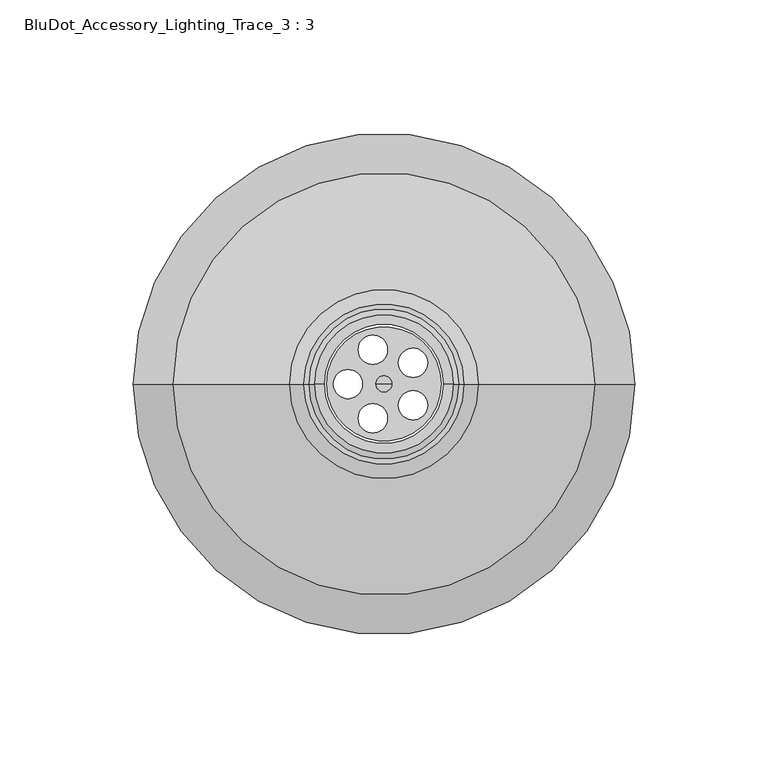
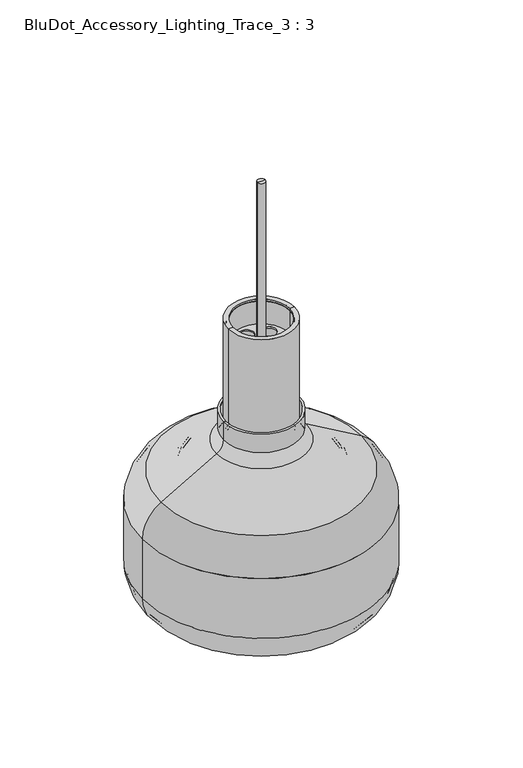
"""IFC4 building model written with IfcOpenShell, lengths in millimetres: furniture geometry, BluDot_Accessory_Lighting_Trace_3 : 3."""

from ifc_helpers import new_model, si_unit, point, frame, frame_2d, origin, origin_2d, place, context, project, spatial, polyline, circle_curve, ellipse_curve, trimmed, segment, composite_curve, outline, extrude, source, transform, mapped, element, save
from ifc_brep_helpers import plane_surface, cylinder_surface, revolved_surface, advanced_brep


def bludot_accessory_lighting_trace_3_3_50a2d297(model_context):
    return source(origin(), model_context, "Body", "SolidModel", [
        advanced_brep(
        [(-58.0500051, 0.0, 1762.1063687), (58.0500051, 0.0, 1762.1063687), (56.2720051, 0.0, 1762.1063687), (-56.2720051, 0.0, 1762.1063687), (-24.2219961, 0.0, 1923.4064632), (24.2219961, 0.0, 1923.4064632), (24.2219961, 0.0, 1832.4429595), (-24.2219961, 0.0, 1832.4429595), (-58.0500051, 0.0, 1802.9711917), (58.0500051, 0.0, 1802.9711917), (-22.4439961, 0.0, 1923.4064632), (22.4439961, 0.0, 1923.4064632), (29.7629452, 0.0, 1822.8429683), (-29.7629452, 0.0, 1822.8429683), (54.9927261, 0.0, 1808.2680914), (-54.9927261, 0.0, 1808.2680914), (-22.4439961, 0.0, 1832.4429595), (22.4439961, 0.0, 1832.4429595), (56.2720051, 0.0, 1802.9711917), (-56.2720051, 0.0, 1802.9711917), (-28.8735582, 0.0, 1821.3033986), (28.8735582, 0.0, 1821.3033986), (-54.1033391, 0.0, 1806.7285217), (54.1033391, 0.0, 1806.7285217)],
        [
            (0, 1, circle_curve(frame((0.0, 0.0, 1762.1063687), z_axis=(0.0, 0.0, -1.0), x_axis=(1.0, 0.0, 0.0)), 58.0500051)),
            (1, 2),
            (2, 3, circle_curve(frame((0.0, 0.0, 1762.1063687), z_axis=(0.0, 0.0, 1.0), x_axis=(1.0, 0.0, 0.0)), 56.2720051)),
            (3, 0),
            (1, 0, circle_curve(frame((0.0, 0.0, 1762.1063687), z_axis=(0.0, 0.0, -1.0), x_axis=(1.0, 0.0, 0.0)), 58.0500051)),
            (3, 2, circle_curve(frame((0.0, 0.0, 1762.1063687), z_axis=(0.0, 0.0, 1.0), x_axis=(1.0, 0.0, 0.0)), 56.2720051)),
            (4, 5, circle_curve(frame((0.0, 0.0, 1923.4064632), z_axis=(0.0, 0.0, -1.0), x_axis=(1.0, 0.0, 0.0)), 24.2219961)),
            (5, 6),
            (6, 7, circle_curve(frame((0.0, 0.0, 1832.4429595), z_axis=(0.0, 0.0, 1.0), x_axis=(1.0, 0.0, 0.0)), 24.2219961)),
            (7, 4),
            (5, 4, circle_curve(frame((0.0, 0.0, 1923.4064632), z_axis=(0.0, 0.0, -1.0), x_axis=(1.0, 0.0, 0.0)), 24.2219961)),
            (7, 6, circle_curve(frame((0.0, 0.0, 1832.4429595), z_axis=(0.0, 0.0, 1.0), x_axis=(1.0, 0.0, 0.0)), 24.2219961)),
            (8, 9, circle_curve(frame((0.0, 0.0, 1802.9711917), z_axis=(0.0, 0.0, -1.0), x_axis=(1.0, 0.0, 0.0)), 58.0500051)),
            (9, 1),
            (0, 8),
            (9, 8, circle_curve(frame((0.0, 0.0, 1802.9711917), z_axis=(0.0, 0.0, -1.0), x_axis=(1.0, 0.0, 0.0)), 58.0500051)),
            (10, 11, circle_curve(frame((0.0, 0.0, 1923.4064632), z_axis=(0.0, 0.0, -1.0), x_axis=(1.0, 0.0, 0.0)), 22.4439961)),
            (11, 5),
            (4, 10),
            (11, 10, circle_curve(frame((0.0, 0.0, 1923.4064632), z_axis=(0.0, 0.0, -1.0), x_axis=(1.0, 0.0, 0.0)), 22.4439961)),
            (6, 12, circle_curve(frame((35.3087203, 0.0, 1832.4429595), z_axis=(0.0, -1.0, 0.0), x_axis=(1.0, 0.0, 0.0)), 11.0867242)),
            (12, 13, circle_curve(frame((0.0, 0.0, 1822.8429683), z_axis=(0.0, 0.0, 1.0), x_axis=(1.0, 0.0, 0.0)), 29.7629452)),
            (13, 7, circle_curve(frame((-35.3087203, 0.0, 1832.4429595), z_axis=(0.0, -1.0, 0.0), x_axis=(-1.0, 0.0, 0.0)), 11.0867242)),
            (13, 12, circle_curve(frame((0.0, 0.0, 1822.8429683), z_axis=(0.0, 0.0, 1.0), x_axis=(1.0, 0.0, 0.0)), 29.7629452)),
            (12, 14),
            (14, 15, circle_curve(frame((0.0, 0.0, 1808.2680914), z_axis=(0.0, 0.0, 1.0), x_axis=(1.0, 0.0, 0.0)), 54.9927261)),
            (15, 13),
            (15, 14, circle_curve(frame((0.0, 0.0, 1808.2680914), z_axis=(0.0, 0.0, 1.0), x_axis=(1.0, 0.0, 0.0)), 54.9927261)),
            (14, 9, circle_curve(frame((51.9327843, 0.0, 1802.9711917), z_axis=(0.0, 1.0, 0.0), x_axis=(1.0, 0.0, 0.0)), 6.1172208)),
            (8, 15, circle_curve(frame((-51.9327843, 0.0, 1802.9711917), z_axis=(0.0, 1.0, 0.0), x_axis=(-1.0, 0.0, 0.0)), 6.1172208)),
            (16, 17, circle_curve(frame((0.0, 0.0, 1832.4429595), z_axis=(0.0, 0.0, -1.0), x_axis=(1.0, 0.0, 0.0)), 22.4439961)),
            (17, 11),
            (10, 16),
            (17, 16, circle_curve(frame((0.0, 0.0, 1832.4429595), z_axis=(0.0, 0.0, -1.0), x_axis=(1.0, 0.0, 0.0)), 22.4439961)),
            (2, 18),
            (18, 19, circle_curve(frame((0.0, 0.0, 1802.9711917), z_axis=(0.0, 0.0, 1.0), x_axis=(1.0, 0.0, 0.0)), 56.2720051)),
            (19, 3),
            (19, 18, circle_curve(frame((0.0, 0.0, 1802.9711917), z_axis=(0.0, 0.0, 1.0), x_axis=(1.0, 0.0, 0.0)), 56.2720051)),
            (20, 21, circle_curve(frame((0.0, 0.0, 1821.3033986), z_axis=(0.0, 0.0, -1.0), x_axis=(1.0, 0.0, 0.0)), 28.8735582)),
            (21, 17, circle_curve(frame((35.3087203, 0.0, 1832.4429595), z_axis=(0.0, 1.0, 0.0), x_axis=(1.0, 0.0, 0.0)), 12.8647242)),
            (16, 20, circle_curve(frame((-35.3087203, 0.0, 1832.4429595), z_axis=(0.0, 1.0, 0.0), x_axis=(-1.0, 0.0, 0.0)), 12.8647242)),
            (21, 20, circle_curve(frame((0.0, 0.0, 1821.3033986), z_axis=(0.0, 0.0, -1.0), x_axis=(1.0, 0.0, 0.0)), 28.8735582)),
            (22, 23, circle_curve(frame((0.0, 0.0, 1806.7285217), z_axis=(0.0, 0.0, -1.0), x_axis=(1.0, 0.0, 0.0)), 54.1033391)),
            (23, 21),
            (20, 22),
            (23, 22, circle_curve(frame((0.0, 0.0, 1806.7285217), z_axis=(0.0, 0.0, -1.0), x_axis=(1.0, 0.0, 0.0)), 54.1033391)),
            (18, 23, circle_curve(frame((51.9327843, 0.0, 1802.9711917), z_axis=(0.0, -1.0, 0.0), x_axis=(1.0, 0.0, 0.0)), 4.3392208)),
            (22, 19, circle_curve(frame((-51.9327843, 0.0, 1802.9711917), z_axis=(0.0, -1.0, 0.0), x_axis=(-1.0, 0.0, 0.0)), 4.3392208)),
        ],
        [
            plane_surface(frame((0.0, 0.0, 1762.1063687), z_axis=(0.0, 0.0, -1.0), x_axis=(1.0, 0.0, 0.0))),
            cylinder_surface(frame((0.0, 0.0, 2363.3344632), z_axis=(0.0, 0.0, 1.0), x_axis=(1.0, 0.0, 0.0)), 24.2219961),
            cylinder_surface(frame((0.0, 0.0, 2363.3344632), z_axis=(0.0, 0.0, 1.0), x_axis=(1.0, 0.0, 0.0)), 58.0500051),
            plane_surface(frame((0.0, 0.0, 1923.4064632), z_axis=(0.0, 0.0, 1.0), x_axis=(1.0, 0.0, 0.0))),
            revolved_surface(trimmed(ellipse_curve(frame((35.3087203, 0.0, 1832.4429595), z_axis=(0.0, 1.0, 0.0), x_axis=(1.0, 0.0, 0.0)), 11.0867242, 11.0867242), [point((29.7629452, 0.0, 1822.8429683))], [point((24.2219961, 0.0, 1832.4429595))], True, "CARTESIAN"), (0.0, 0.0, 2363.3344632), (0.0, 0.0, 1.0)),
            revolved_surface(polyline([(54.9927261, 0.0, 1808.2680914), (29.7629452, 0.0, 1822.8429683)]), (0.0, 0.0, 2363.3344632), (0.0, 0.0, 1.0)),
            revolved_surface(trimmed(ellipse_curve(frame((51.9327843, 0.0, 1802.9711917), z_axis=(0.0, -1.0, 0.0), x_axis=(1.0, 0.0, 0.0)), 6.1172208, 6.1172208), [point((58.0500051, 0.0, 1802.9711917))], [point((54.9927261, 0.0, 1808.2680914))], True, "CARTESIAN"), (0.0, 0.0, 2363.3344632), (0.0, 0.0, 1.0)),
            revolved_surface(polyline([(22.4439961, 0.0, 1923.4064632), (22.4439961, 0.0, 1832.4429595)]), (0.0, 0.0, 2363.3344632), (0.0, 0.0, 1.0)),
            revolved_surface(polyline([(56.2720051, 0.0, 1802.9711917), (56.2720051, 0.0, 1762.1063687)]), (0.0, 0.0, 2363.3344632), (0.0, 0.0, 1.0)),
            revolved_surface(trimmed(ellipse_curve(frame((35.3087203, 0.0, 1832.4429595), z_axis=(0.0, -1.0, 0.0), x_axis=(1.0, 0.0, 0.0)), 12.8647242, 12.8647242), [point((22.4439961, 0.0, 1832.4429595))], [point((28.8735582, 0.0, 1821.3033986))], True, "CARTESIAN"), (0.0, 0.0, 2363.3344632), (0.0, 0.0, 1.0)),
            revolved_surface(polyline([(28.8735582, 0.0, 1821.3033986), (54.1033391, 0.0, 1806.7285217)]), (0.0, 0.0, 2363.3344632), (0.0, 0.0, 1.0)),
            revolved_surface(trimmed(ellipse_curve(frame((51.9327843, 0.0, 1802.9711917), z_axis=(0.0, 1.0, 0.0), x_axis=(1.0, 0.0, 0.0)), 4.3392208, 4.3392208), [point((54.1033391, 0.0, 1806.7285217))], [point((56.2720051, 0.0, 1802.9711917))], True, "CARTESIAN"), (0.0, 0.0, 2363.3344632), (0.0, 0.0, 1.0)),
        ],
        [
            (0, [[1, 2, 3, 4]]),
            (0, [[5, -4, 6, -2]]),
            (1, [[7, 8, 9, 10]]),
            (1, [[11, -10, 12, -8]]),
            (2, [[13, 14, -1, 15]]),
            (2, [[16, -15, -5, -14]]),
            (3, [[17, 18, -7, 19]]),
            (3, [[20, -19, -11, -18]]),
            (4, [[-9, 21, 22, 23]]),
            (4, [[-12, -23, 24, -21]]),
            (5, [[-22, 25, 26, 27]]),
            (5, [[-24, -27, 28, -25]]),
            (6, [[-26, 29, -13, 30]]),
            (6, [[-28, -30, -16, -29]]),
            (7, [[31, 32, -17, 33]]),
            (7, [[34, -33, -20, -32]]),
            (8, [[-3, 35, 36, 37]]),
            (8, [[-6, -37, 38, -35]]),
            (9, [[39, 40, -31, 41]]),
            (9, [[42, -41, -34, -40]]),
            (10, [[43, 44, -39, 45]]),
            (10, [[46, -45, -42, -44]]),
            (11, [[-36, 47, -43, 48]]),
            (11, [[-38, -48, -46, -47]]),
        ],
    ),
        advanced_brep(
        [(-22.4439961, 0.0, 1925.1844632), (22.4439961, 0.0, 1925.1844632), (25.9999961, 0.0, 1925.1844632), (-25.9999961, 0.0, 1925.1844632), (-59.8280051, 0.0, 1762.1063687), (59.8280051, 0.0, 1762.1063687), (58.0500051, 0.0, 1762.1063687), (-58.0500051, 0.0, 1762.1063687), (-59.8280051, 0.0, 1802.9711917), (59.8280051, 0.0, 1802.9711917), (25.9999961, 0.0, 1832.4429595), (-25.9999961, 0.0, 1832.4429595), (-24.2219961, 0.0, 1832.4429595), (24.2219961, 0.0, 1832.4429595), (24.2219961, 0.0, 1923.4064632), (-24.2219961, 0.0, 1923.4064632), (58.0500051, 0.0, 1802.9711917), (-58.0500051, 0.0, 1802.9711917), (-22.4439961, 0.0, 1923.4064632), (22.4439961, 0.0, 1923.4064632), (-29.7629452, 0.0, 1822.8429683), (29.7629452, 0.0, 1822.8429683), (-54.9927261, 0.0, 1808.2680914), (54.9927261, 0.0, 1808.2680914), (-55.882113, 0.0, 1809.8076611), (55.882113, 0.0, 1809.8076611), (-30.6523322, 0.0, 1824.3825379), (30.6523322, 0.0, 1824.3825379)],
        [
            (0, 1, circle_curve(frame((0.0, 0.0, 1925.1844632), z_axis=(0.0, 0.0, -1.0), x_axis=(1.0, 0.0, 0.0)), 22.4439961)),
            (1, 2),
            (2, 3, circle_curve(frame((0.0, 0.0, 1925.1844632), z_axis=(0.0, 0.0, 1.0), x_axis=(1.0, 0.0, 0.0)), 25.9999961)),
            (3, 0),
            (1, 0, circle_curve(frame((0.0, 0.0, 1925.1844632), z_axis=(0.0, 0.0, -1.0), x_axis=(1.0, 0.0, 0.0)), 22.4439961)),
            (3, 2, circle_curve(frame((0.0, 0.0, 1925.1844632), z_axis=(0.0, 0.0, 1.0), x_axis=(1.0, 0.0, 0.0)), 25.9999961)),
            (4, 5, circle_curve(frame((0.0, 0.0, 1762.1063687), z_axis=(0.0, 0.0, -1.0), x_axis=(1.0, 0.0, 0.0)), 59.8280051)),
            (5, 6),
            (6, 7, circle_curve(frame((0.0, 0.0, 1762.1063687), z_axis=(0.0, 0.0, 1.0), x_axis=(1.0, 0.0, 0.0)), 58.0500051)),
            (7, 4),
            (5, 4, circle_curve(frame((0.0, 0.0, 1762.1063687), z_axis=(0.0, 0.0, -1.0), x_axis=(1.0, 0.0, 0.0)), 59.8280051)),
            (7, 6, circle_curve(frame((0.0, 0.0, 1762.1063687), z_axis=(0.0, 0.0, 1.0), x_axis=(1.0, 0.0, 0.0)), 58.0500051)),
            (8, 9, circle_curve(frame((0.0, 0.0, 1802.9711917), z_axis=(0.0, 0.0, -1.0), x_axis=(1.0, 0.0, 0.0)), 59.8280051)),
            (9, 5),
            (4, 8),
            (9, 8, circle_curve(frame((0.0, 0.0, 1802.9711917), z_axis=(0.0, 0.0, -1.0), x_axis=(1.0, 0.0, 0.0)), 59.8280051)),
            (2, 10),
            (10, 11, circle_curve(frame((0.0, 0.0, 1832.4429595), z_axis=(0.0, 0.0, 1.0), x_axis=(1.0, 0.0, 0.0)), 25.9999961)),
            (11, 3),
            (11, 10, circle_curve(frame((0.0, 0.0, 1832.4429595), z_axis=(0.0, 0.0, 1.0), x_axis=(1.0, 0.0, 0.0)), 25.9999961)),
            (12, 13, circle_curve(frame((0.0, 0.0, 1832.4429595), z_axis=(0.0, 0.0, -1.0), x_axis=(1.0, 0.0, 0.0)), 24.2219961)),
            (13, 14),
            (14, 15, circle_curve(frame((0.0, 0.0, 1923.4064632), z_axis=(0.0, 0.0, 1.0), x_axis=(1.0, 0.0, 0.0)), 24.2219961)),
            (15, 12),
            (13, 12, circle_curve(frame((0.0, 0.0, 1832.4429595), z_axis=(0.0, 0.0, -1.0), x_axis=(1.0, 0.0, 0.0)), 24.2219961)),
            (15, 14, circle_curve(frame((0.0, 0.0, 1923.4064632), z_axis=(0.0, 0.0, 1.0), x_axis=(1.0, 0.0, 0.0)), 24.2219961)),
            (6, 16),
            (16, 17, circle_curve(frame((0.0, 0.0, 1802.9711917), z_axis=(0.0, 0.0, 1.0), x_axis=(1.0, 0.0, 0.0)), 58.0500051)),
            (17, 7),
            (17, 16, circle_curve(frame((0.0, 0.0, 1802.9711917), z_axis=(0.0, 0.0, 1.0), x_axis=(1.0, 0.0, 0.0)), 58.0500051)),
            (18, 19, circle_curve(frame((0.0, 0.0, 1923.4064632), z_axis=(0.0, 0.0, -1.0), x_axis=(1.0, 0.0, 0.0)), 22.4439961)),
            (19, 1),
            (0, 18),
            (19, 18, circle_curve(frame((0.0, 0.0, 1923.4064632), z_axis=(0.0, 0.0, -1.0), x_axis=(1.0, 0.0, 0.0)), 22.4439961)),
            (14, 19),
            (18, 15),
            (20, 21, circle_curve(frame((0.0, 0.0, 1822.8429683), z_axis=(0.0, 0.0, -1.0), x_axis=(1.0, 0.0, 0.0)), 29.7629452)),
            (21, 13, circle_curve(frame((35.3087203, 0.0, 1832.4429595), z_axis=(0.0, 1.0, 0.0), x_axis=(1.0, 0.0, 0.0)), 11.0867242)),
            (12, 20, circle_curve(frame((-35.3087203, 0.0, 1832.4429595), z_axis=(0.0, 1.0, 0.0), x_axis=(-1.0, 0.0, 0.0)), 11.0867242)),
            (21, 20, circle_curve(frame((0.0, 0.0, 1822.8429683), z_axis=(0.0, 0.0, -1.0), x_axis=(1.0, 0.0, 0.0)), 29.7629452)),
            (22, 23, circle_curve(frame((0.0, 0.0, 1808.2680914), z_axis=(0.0, 0.0, -1.0), x_axis=(1.0, 0.0, 0.0)), 54.9927261)),
            (23, 21),
            (20, 22),
            (23, 22, circle_curve(frame((0.0, 0.0, 1808.2680914), z_axis=(0.0, 0.0, -1.0), x_axis=(1.0, 0.0, 0.0)), 54.9927261)),
            (16, 23, circle_curve(frame((51.9327843, 0.0, 1802.9711917), z_axis=(0.0, -1.0, 0.0), x_axis=(1.0, 0.0, 0.0)), 6.1172208)),
            (22, 17, circle_curve(frame((-51.9327843, 0.0, 1802.9711917), z_axis=(0.0, -1.0, 0.0), x_axis=(-1.0, 0.0, 0.0)), 6.1172208)),
            (24, 25, circle_curve(frame((0.0, 0.0, 1809.8076611), z_axis=(0.0, 0.0, -1.0), x_axis=(1.0, 0.0, 0.0)), 55.882113)),
            (25, 9, circle_curve(frame((51.9327843, 0.0, 1802.9711917), z_axis=(0.0, 1.0, 0.0), x_axis=(1.0, 0.0, 0.0)), 7.8952208)),
            (8, 24, circle_curve(frame((-51.9327843, 0.0, 1802.9711917), z_axis=(0.0, 1.0, 0.0), x_axis=(-1.0, 0.0, 0.0)), 7.8952208)),
            (25, 24, circle_curve(frame((0.0, 0.0, 1809.8076611), z_axis=(0.0, 0.0, -1.0), x_axis=(1.0, 0.0, 0.0)), 55.882113)),
            (26, 27, circle_curve(frame((0.0, 0.0, 1824.3825379), z_axis=(0.0, 0.0, -1.0), x_axis=(1.0, 0.0, 0.0)), 30.6523322)),
            (27, 25),
            (24, 26),
            (27, 26, circle_curve(frame((0.0, 0.0, 1824.3825379), z_axis=(0.0, 0.0, -1.0), x_axis=(1.0, 0.0, 0.0)), 30.6523322)),
            (10, 27, circle_curve(frame((35.3087203, 0.0, 1832.4429595), z_axis=(0.0, -1.0, 0.0), x_axis=(1.0, 0.0, 0.0)), 9.3087242)),
            (26, 11, circle_curve(frame((-35.3087203, 0.0, 1832.4429595), z_axis=(0.0, -1.0, 0.0), x_axis=(-1.0, 0.0, 0.0)), 9.3087242)),
        ],
        [
            plane_surface(frame((0.0, 0.0, 1925.1844632), z_axis=(0.0, 0.0, 1.0), x_axis=(1.0, 0.0, 0.0))),
            plane_surface(frame((0.0, 0.0, 1762.1063687), z_axis=(0.0, 0.0, -1.0), x_axis=(1.0, 0.0, 0.0))),
            cylinder_surface(frame((0.0, 0.0, 2363.3344632), z_axis=(0.0, 0.0, 1.0), x_axis=(1.0, 0.0, 0.0)), 59.8280051),
            cylinder_surface(frame((0.0, 0.0, 2363.3344632), z_axis=(0.0, 0.0, 1.0), x_axis=(1.0, 0.0, 0.0)), 25.9999961),
            revolved_surface(polyline([(24.2219961, 0.0, 1923.4064632), (24.2219961, 0.0, 1832.4429595)]), (0.0, 0.0, 2363.3344632), (0.0, 0.0, 1.0)),
            revolved_surface(polyline([(58.0500051, 0.0, 1802.9711917), (58.0500051, 0.0, 1762.1063687)]), (0.0, 0.0, 2363.3344632), (0.0, 0.0, 1.0)),
            revolved_surface(polyline([(22.4439961, 0.0, 1925.1844632), (22.4439961, 0.0, 1923.4064632)]), (0.0, 0.0, 2363.3344632), (0.0, 0.0, 1.0)),
            plane_surface(frame((0.0, 0.0, 1923.4064632), z_axis=(0.0, 0.0, -1.0), x_axis=(1.0, 0.0, 0.0))),
            revolved_surface(trimmed(ellipse_curve(frame((35.3087203, 0.0, 1832.4429595), z_axis=(0.0, -1.0, 0.0), x_axis=(1.0, 0.0, 0.0)), 11.0867242, 11.0867242), [point((24.2219961, 0.0, 1832.4429595))], [point((29.7629452, 0.0, 1822.8429683))], True, "CARTESIAN"), (0.0, 0.0, 2363.3344632), (0.0, 0.0, 1.0)),
            revolved_surface(polyline([(29.7629452, 0.0, 1822.8429683), (54.9927261, 0.0, 1808.2680914)]), (0.0, 0.0, 2363.3344632), (0.0, 0.0, 1.0)),
            revolved_surface(trimmed(ellipse_curve(frame((51.9327843, 0.0, 1802.9711917), z_axis=(0.0, 1.0, 0.0), x_axis=(1.0, 0.0, 0.0)), 6.1172208, 6.1172208), [point((54.9927261, 0.0, 1808.2680914))], [point((58.0500051, 0.0, 1802.9711917))], True, "CARTESIAN"), (0.0, 0.0, 2363.3344632), (0.0, 0.0, 1.0)),
            revolved_surface(trimmed(ellipse_curve(frame((51.9327843, 0.0, 1802.9711917), z_axis=(0.0, -1.0, 0.0), x_axis=(1.0, 0.0, 0.0)), 7.8952208, 7.8952208), [point((59.8280051, 0.0, 1802.9711917))], [point((55.882113, 0.0, 1809.8076611))], True, "CARTESIAN"), (0.0, 0.0, 2363.3344632), (0.0, 0.0, 1.0)),
            revolved_surface(polyline([(55.882113, 0.0, 1809.8076611), (30.6523322, 0.0, 1824.3825379)]), (0.0, 0.0, 2363.3344632), (0.0, 0.0, 1.0)),
            revolved_surface(trimmed(ellipse_curve(frame((35.3087203, 0.0, 1832.4429595), z_axis=(0.0, 1.0, 0.0), x_axis=(1.0, 0.0, 0.0)), 9.3087242, 9.3087242), [point((30.6523322, 0.0, 1824.3825379))], [point((25.9999961, 0.0, 1832.4429595))], True, "CARTESIAN"), (0.0, 0.0, 2363.3344632), (0.0, 0.0, 1.0)),
        ],
        [
            (0, [[1, 2, 3, 4]]),
            (0, [[5, -4, 6, -2]]),
            (1, [[7, 8, 9, 10]]),
            (1, [[11, -10, 12, -8]]),
            (2, [[13, 14, -7, 15]]),
            (2, [[16, -15, -11, -14]]),
            (3, [[-3, 17, 18, 19]]),
            (3, [[-6, -19, 20, -17]]),
            (4, [[21, 22, 23, 24]]),
            (4, [[25, -24, 26, -22]]),
            (5, [[-9, 27, 28, 29]]),
            (5, [[-12, -29, 30, -27]]),
            (6, [[31, 32, -1, 33]]),
            (6, [[34, -33, -5, -32]]),
            (7, [[-23, 35, -31, 36]]),
            (7, [[-26, -36, -34, -35]]),
            (8, [[37, 38, -21, 39]]),
            (8, [[40, -39, -25, -38]]),
            (9, [[41, 42, -37, 43]]),
            (9, [[44, -43, -40, -42]]),
            (10, [[-28, 45, -41, 46]]),
            (10, [[-30, -46, -44, -45]]),
            (11, [[47, 48, -13, 49]]),
            (11, [[50, -49, -16, -48]]),
            (12, [[51, 52, -47, 53]]),
            (12, [[54, -53, -50, -52]]),
            (13, [[-18, 55, -51, 56]]),
            (13, [[-20, -56, -54, -55]]),
        ],
    ),
        advanced_brep(
        [(-28.2045935, 0.0, 1834.0146549), (28.2045935, 0.0, 1834.0146549), (28.2045935, 0.0, 1848.9844739), (-28.2045935, 0.0, 1848.9844739), (-34.6110217, 0.0, 1822.9183958), (34.6110217, 0.0, 1822.9183958), (-78.3912035, 0.0, 1797.641896), (78.3912035, 0.0, 1797.641896), (-92.2219771, 0.0, 1773.6862935), (92.2219771, 0.0, 1773.6862935), (-92.2219771, 0.0, 1723.9400632), (92.2219771, 0.0, 1723.9400632), (-79.5614731, 0.0, 1700.9400784), (79.5614731, 0.0, 1700.9400784), (-82.6634979, 0.0, 1700.9400784), (82.6634979, 0.0, 1700.9400784), (-93.9999771, 0.0, 1723.9400632), (93.9999771, 0.0, 1723.9400632), (-93.9999771, 0.0, 1773.5739414), (93.9999771, 0.0, 1773.5739414), (-79.2802035, 0.0, 1799.0693372), (79.2802035, 0.0, 1799.0693372), (-35.5000217, 0.0, 1824.3458369), (35.5000217, 0.0, 1824.3458369), (-29.9825935, 0.0, 1833.9023029), (29.9825935, 0.0, 1833.9023029), (-29.9825935, 0.0, 1848.9844739), (29.9825935, 0.0, 1848.9844739)],
        [
            (0, 1, circle_curve(frame((0.0, 0.0, 1834.0146549), z_axis=(-1.4388639589842759e-12, 0.0, -1.0), x_axis=(1.0, 0.0, -1.4388639589842759e-12)), 28.2045935)),
            (1, 2),
            (2, 3, circle_curve(frame((0.0, 0.0, 1848.9844739), z_axis=(1.4388639589842759e-12, 0.0, 1.0), x_axis=(1.0, 0.0, -1.4388639589842759e-12)), 28.2045935)),
            (3, 0),
            (1, 0, circle_curve(frame((0.0, 0.0, 1834.0146549), z_axis=(-1.4388639589842759e-12, 0.0, -1.0), x_axis=(1.0, 0.0, -1.4388639589842759e-12)), 28.2045935)),
            (3, 2, circle_curve(frame((0.0, 0.0, 1848.9844739), z_axis=(1.4388639589842759e-12, 0.0, 1.0), x_axis=(1.0, 0.0, -1.4388639589842759e-12)), 28.2045935)),
            (4, 5, circle_curve(frame((0.0, 0.0, 1822.9183958), z_axis=(-1.4388639589842759e-12, 0.0, -1.0), x_axis=(1.0, 0.0, -1.4388639589842759e-12)), 34.6110217)),
            (5, 1, circle_curve(frame((41.0174499, 0.0, 1834.0146549), z_axis=(0.0, 1.0, 0.0), x_axis=(1.0, 0.0, 0.0)), 12.8128564)),
            (0, 4, circle_curve(frame((-41.0174499, 0.0, 1834.0146549), z_axis=(0.0, 1.0, 0.0), x_axis=(-1.0, 0.0, 2.8777279179685517e-12)), 12.8128564)),
            (5, 4, circle_curve(frame((0.0, 0.0, 1822.9183958), z_axis=(-1.4388639589842759e-12, 0.0, -1.0), x_axis=(1.0, 0.0, -1.4388639589842759e-12)), 34.6110217)),
            (6, 7, circle_curve(frame((0.0, 0.0, 1797.641896), z_axis=(-1.4388639589842759e-12, 0.0, -1.0), x_axis=(1.0, 0.0, -1.4388639589842759e-12)), 78.3912035)),
            (7, 5),
            (4, 6),
            (7, 6, circle_curve(frame((0.0, 0.0, 1797.641896), z_axis=(-1.4388639589842759e-12, 0.0, -1.0), x_axis=(1.0, 0.0, -1.4388639589842759e-12)), 78.3912035)),
            (8, 9, circle_curve(frame((0.0, 0.0, 1773.6862935), z_axis=(-1.4388639589842759e-12, 0.0, -1.0), x_axis=(1.0, 0.0, -1.4388639589842759e-12)), 92.2219771)),
            (9, 7, circle_curve(frame((64.5604299, 0.0, 1773.6862935), z_axis=(0.0, -1.0, 0.0), x_axis=(1.0, 0.0, 0.0)), 27.6615472)),
            (6, 8, circle_curve(frame((-64.5604299, 0.0, 1773.6862935), z_axis=(0.0, -1.0, 0.0), x_axis=(-1.0, 0.0, 2.8777279179685517e-12)), 27.6615472)),
            (9, 8, circle_curve(frame((0.0, 0.0, 1773.6862935), z_axis=(-1.4388639589842759e-12, 0.0, -1.0), x_axis=(1.0, 0.0, -1.4388639589842759e-12)), 92.2219771)),
            (10, 11, circle_curve(frame((0.0, 0.0, 1723.9400632), z_axis=(-1.4388639589842759e-12, 0.0, -1.0), x_axis=(1.0, 0.0, -1.4388639589842759e-12)), 92.2219771)),
            (11, 9),
            (8, 10),
            (11, 10, circle_curve(frame((0.0, 0.0, 1723.9400632), z_axis=(-1.4388639589842759e-12, 0.0, -1.0), x_axis=(1.0, 0.0, -1.4388639589842759e-12)), 92.2219771)),
            (12, 13, circle_curve(frame((0.0, 0.0, 1700.9400784), z_axis=(-1.4388639589842759e-12, 0.0, -1.0), x_axis=(1.0, 0.0, -1.4388639589842759e-12)), 79.5614731)),
            (13, 11, circle_curve(frame((65.0000095, 0.0, 1723.9400632), z_axis=(0.0, -1.0, 0.0), x_axis=(1.0, 0.0, 0.0)), 27.2219676)),
            (10, 12, circle_curve(frame((-65.0000095, 0.0, 1723.9400632), z_axis=(0.0, -1.0, 0.0), x_axis=(-1.0, 0.0, 2.8777279179685517e-12)), 27.2219676)),
            (13, 12, circle_curve(frame((0.0, 0.0, 1700.9400784), z_axis=(-1.4388639589842759e-12, 0.0, -1.0), x_axis=(1.0, 0.0, -1.4388639589842759e-12)), 79.5614731)),
            (14, 15, circle_curve(frame((0.0, 0.0, 1700.9400784), z_axis=(-1.4388639589842759e-12, 0.0, -1.0), x_axis=(1.0, 0.0, -1.4388639589842759e-12)), 82.6634979)),
            (15, 13),
            (12, 14),
            (15, 14, circle_curve(frame((0.0, 0.0, 1700.9400784), z_axis=(-1.4388639589842759e-12, 0.0, -1.0), x_axis=(1.0, 0.0, -1.4388639589842759e-12)), 82.6634979)),
            (16, 17, circle_curve(frame((0.0, 0.0, 1723.9400632), z_axis=(-1.4388639589842759e-12, 0.0, -1.0), x_axis=(1.0, 0.0, -1.4388639589842759e-12)), 93.9999771)),
            (17, 15, circle_curve(frame((65.0000095, 0.0, 1723.9400632), z_axis=(0.0, 1.0, 0.0), x_axis=(1.0, 0.0, 0.0)), 28.9999676)),
            (14, 16, circle_curve(frame((-65.0000095, 0.0, 1723.9400632), z_axis=(0.0, 1.0, 0.0), x_axis=(-1.0, 0.0, 2.8777279179685517e-12)), 28.9999676)),
            (17, 16, circle_curve(frame((0.0, 0.0, 1723.9400632), z_axis=(-1.4388639589842759e-12, 0.0, -1.0), x_axis=(1.0, 0.0, -1.4388639589842759e-12)), 93.9999771)),
            (18, 19, circle_curve(frame((0.0, 0.0, 1773.5739414), z_axis=(-1.4388639589842759e-12, 0.0, -1.0), x_axis=(1.0, 0.0, -1.4388639589842759e-12)), 93.9999771)),
            (19, 17),
            (16, 18),
            (19, 18, circle_curve(frame((0.0, 0.0, 1773.5739414), z_axis=(-1.4388639589842759e-12, 0.0, -1.0), x_axis=(1.0, 0.0, -1.4388639589842759e-12)), 93.9999771)),
            (20, 21, circle_curve(frame((0.0, 0.0, 1799.0693372), z_axis=(-1.4388639589842759e-12, 0.0, -1.0), x_axis=(1.0, 0.0, -1.4388639589842759e-12)), 79.2802035)),
            (21, 19, circle_curve(frame((64.5604299, 0.0, 1773.5739414), z_axis=(0.0, 1.0, 0.0), x_axis=(1.0, 0.0, 0.0)), 29.4395472)),
            (18, 20, circle_curve(frame((-64.5604299, 0.0, 1773.5739414), z_axis=(0.0, 1.0, 0.0), x_axis=(-1.0, 0.0, 2.8777279179685517e-12)), 29.4395472)),
            (21, 20, circle_curve(frame((0.0, 0.0, 1799.0693372), z_axis=(-1.4388639589842759e-12, 0.0, -1.0), x_axis=(1.0, 0.0, -1.4388639589842759e-12)), 79.2802035)),
            (22, 23, circle_curve(frame((0.0, 0.0, 1824.3458369), z_axis=(-1.4388639589842759e-12, 0.0, -1.0), x_axis=(1.0, 0.0, -1.4388639589842759e-12)), 35.5000217)),
            (23, 21),
            (20, 22),
            (23, 22, circle_curve(frame((0.0, 0.0, 1824.3458369), z_axis=(-1.4388639589842759e-12, 0.0, -1.0), x_axis=(1.0, 0.0, -1.4388639589842759e-12)), 35.5000217)),
            (24, 25, circle_curve(frame((0.0, 0.0, 1833.9023029), z_axis=(-1.4388639589842759e-12, 0.0, -1.0), x_axis=(1.0, 0.0, -1.4388639589842759e-12)), 29.9825935)),
            (25, 23, circle_curve(frame((41.0174499, 0.0, 1833.9023029), z_axis=(0.0, -1.0, 0.0), x_axis=(1.0, 0.0, 0.0)), 11.0348564)),
            (22, 24, circle_curve(frame((-41.0174499, 0.0, 1833.9023029), z_axis=(0.0, -1.0, 0.0), x_axis=(-1.0, 0.0, 2.8777279179685517e-12)), 11.0348564)),
            (25, 24, circle_curve(frame((0.0, 0.0, 1833.9023029), z_axis=(-1.4388639589842759e-12, 0.0, -1.0), x_axis=(1.0, 0.0, -1.4388639589842759e-12)), 29.9825935)),
            (26, 27, circle_curve(frame((0.0, 0.0, 1848.9844739), z_axis=(-1.4388639589842759e-12, 0.0, -1.0), x_axis=(1.0, 0.0, -1.4388639589842759e-12)), 29.9825935)),
            (27, 25),
            (24, 26),
            (27, 26, circle_curve(frame((0.0, 0.0, 1848.9844739), z_axis=(-1.4388639589842759e-12, 0.0, -1.0), x_axis=(1.0, 0.0, -1.4388639589842759e-12)), 29.9825935)),
            (2, 27),
            (26, 3),
        ],
        [
            revolved_surface(polyline([(28.20459350017711, 0.0, 1848.9844739), (28.20459350015557, 0.0, 1834.0146548999192)]), (0.0, 0.0, 1725.8939772), (1.4388639589842759e-12, 0.0, 1.0)),
            revolved_surface(trimmed(ellipse_curve(frame((41.0174499, 0.0, 1834.0146549), z_axis=(0.0, -1.0, 0.0), x_axis=(1.0, 0.0, 0.0)), 12.8128564, 12.8128564), [point((28.2045935, 0.0, 1834.0146549))], [point((34.6110217, 0.0, 1822.9183958))], True, "CARTESIAN"), (0.0, 0.0, 1725.8939772), (1.4388639589842759e-12, 0.0, 1.0)),
            revolved_surface(polyline([(34.6110217, 0.0, 1822.9183958), (78.3912035, 0.0, 1797.641896)]), (0.0, 0.0, 1725.8939772), (1.4388639589842759e-12, 0.0, 1.0)),
            revolved_surface(trimmed(ellipse_curve(frame((64.5604299, 0.0, 1773.6862935), z_axis=(0.0, 1.0, 0.0), x_axis=(1.0, 0.0, 0.0)), 27.6615472, 27.6615472), [point((78.3912035, 0.0, 1797.641896))], [point((92.2219771, 0.0, 1773.6862935))], True, "CARTESIAN"), (0.0, 0.0, 1725.8939772), (1.4388639589842759e-12, 0.0, 1.0)),
            revolved_surface(polyline([(92.22197710006877, 0.0, 1773.6862935), (92.22197709999719, 0.0, 1723.9400631997344)]), (0.0, 0.0, 1725.8939772), (1.4388639589842759e-12, 0.0, 1.0)),
            revolved_surface(trimmed(ellipse_curve(frame((65.0000095, 0.0, 1723.9400632), z_axis=(0.0, 1.0, 0.0), x_axis=(1.0, 0.0, 0.0)), 27.2219676, 27.2219676), [point((92.2219771, 0.0, 1723.9400632))], [point((79.5614731, 0.0, 1700.9400784))], True, "CARTESIAN"), (0.0, 0.0, 1725.8939772), (1.4388639589842759e-12, 0.0, 1.0)),
            plane_surface(frame((0.0, 0.0, 1700.9400784), z_axis=(-1.4388639589842759e-12, 0.0, -1.0), x_axis=(1.0, 0.0, -1.4388639589842759e-12))),
            revolved_surface(trimmed(ellipse_curve(frame((65.0000095, 0.0, 1723.9400632), z_axis=(0.0, -1.0, 0.0), x_axis=(1.0, 0.0, 0.0)), 28.9999676, 28.9999676), [point((82.6634979, 0.0, 1700.9400784))], [point((93.9999771, 0.0, 1723.9400632))], True, "CARTESIAN"), (0.0, 0.0, 1725.8939772), (1.4388639589842759e-12, 0.0, 1.0)),
            cylinder_surface(frame((0.0, 0.0, 1725.8939772), z_axis=(1.4388639589842759e-12, 0.0, 1.0), x_axis=(1.0, 0.0, -1.4388639589842759e-12)), 93.9999771),
            revolved_surface(trimmed(ellipse_curve(frame((64.5604299, 0.0, 1773.5739414), z_axis=(0.0, -1.0, 0.0), x_axis=(1.0, 0.0, 0.0)), 29.4395472, 29.4395472), [point((93.9999771, 0.0, 1773.5739414))], [point((79.2802035, 0.0, 1799.0693372))], True, "CARTESIAN"), (0.0, 0.0, 1725.8939772), (1.4388639589842759e-12, 0.0, 1.0)),
            revolved_surface(polyline([(79.2802035, 0.0, 1799.0693372), (35.5000217, 0.0, 1824.3458369)]), (0.0, 0.0, 1725.8939772), (1.4388639589842759e-12, 0.0, 1.0)),
            revolved_surface(trimmed(ellipse_curve(frame((41.0174499, 0.0, 1833.9023029), z_axis=(0.0, 1.0, 0.0), x_axis=(1.0, 0.0, 0.0)), 11.0348564, 11.0348564), [point((35.5000217, 0.0, 1824.3458369))], [point((29.9825935, 0.0, 1833.9023029))], True, "CARTESIAN"), (0.0, 0.0, 1725.8939772), (1.4388639589842759e-12, 0.0, 1.0)),
            cylinder_surface(frame((0.0, 0.0, 1725.8939772), z_axis=(1.4388639589842759e-12, 0.0, 1.0), x_axis=(1.0, 0.0, -1.4388639589842759e-12)), 29.9825935),
            plane_surface(frame((0.0, 0.0, 1848.9844739), z_axis=(1.4388639589842759e-12, 0.0, 1.0), x_axis=(1.0, 0.0, -1.4388639589842759e-12))),
        ],
        [
            (0, [[1, 2, 3, 4]]),
            (0, [[5, -4, 6, -2]]),
            (1, [[7, 8, -1, 9]]),
            (1, [[10, -9, -5, -8]]),
            (2, [[11, 12, -7, 13]]),
            (2, [[14, -13, -10, -12]]),
            (3, [[15, 16, -11, 17]]),
            (3, [[18, -17, -14, -16]]),
            (4, [[19, 20, -15, 21]]),
            (4, [[22, -21, -18, -20]]),
            (5, [[23, 24, -19, 25]]),
            (5, [[26, -25, -22, -24]]),
            (6, [[27, 28, -23, 29]]),
            (6, [[30, -29, -26, -28]]),
            (7, [[31, 32, -27, 33]]),
            (7, [[34, -33, -30, -32]]),
            (8, [[35, 36, -31, 37]]),
            (8, [[38, -37, -34, -36]]),
            (9, [[39, 40, -35, 41]]),
            (9, [[42, -41, -38, -40]]),
            (10, [[43, 44, -39, 45]]),
            (10, [[46, -45, -42, -44]]),
            (11, [[47, 48, -43, 49]]),
            (11, [[50, -49, -46, -48]]),
            (12, [[51, 52, -47, 53]]),
            (12, [[54, -53, -50, -52]]),
            (13, [[-3, 55, -51, 56]]),
            (13, [[-6, -56, -54, -55]]),
        ],
    ),
        extrude(outline(composite_curve([segment(trimmed(circle_curve(origin_2d(), 21.4439978), [point((-21.4439978, 0.0))], [point((21.4439978, 0.0))], False, "CARTESIAN"), True, "CONTINUOUS"), segment(trimmed(circle_curve(origin_2d(), 21.4439978), [point((21.4439978, 0.0))], [point((-21.4439978, 0.0))], False, "CARTESIAN"), True, "CONTINUOUS")], self_intersect=False), holes=[composite_curve([segment(trimmed(circle_curve(frame_2d((-4.1717271, 12.8392614)), 5.4767024), [point((-9.6484295, 12.8392614))], [point((1.3049752, 12.8392614))], True, "CARTESIAN"), True, "CONTINUOUS"), segment(trimmed(circle_curve(frame_2d((-4.1717271, 12.8392614)), 5.4767024), [point((1.3049752, 12.8392614))], [point((-9.6484295, 12.8392614))], True, "CARTESIAN"), True, "CONTINUOUS")], self_intersect=False), composite_curve([segment(trimmed(circle_curve(frame_2d((10.9280344, 7.9169324)), 5.4767024), [point((5.4513321, 7.9169324))], [point((16.4047368, 7.9169324))], True, "CARTESIAN"), True, "CONTINUOUS"), segment(trimmed(circle_curve(frame_2d((10.9280344, 7.9169324)), 5.4767024), [point((16.4047368, 7.9169324))], [point((5.4513321, 7.9169324))], True, "CARTESIAN"), True, "CONTINUOUS")], self_intersect=False), composite_curve([segment(trimmed(circle_curve(frame_2d((-4.1717271, -12.8392614)), 5.4767024), [point((-9.6484295, -12.8392614))], [point((1.3049752, -12.8392614))], True, "CARTESIAN"), True, "CONTINUOUS"), segment(trimmed(circle_curve(frame_2d((-4.1717271, -12.8392614)), 5.4767024), [point((1.3049752, -12.8392614))], [point((-9.6484295, -12.8392614))], True, "CARTESIAN"), True, "CONTINUOUS")], self_intersect=False), composite_curve([segment(trimmed(circle_curve(frame_2d((-13.5158643, -0.0218401)), 5.4767024), [point((-18.9925667, -0.0218401))], [point((-8.039162, -0.0218401))], True, "CARTESIAN"), True, "CONTINUOUS"), segment(trimmed(circle_curve(frame_2d((-13.5158643, -0.0218401)), 5.4767024), [point((-8.039162, -0.0218401))], [point((-18.9925667, -0.0218401))], True, "CARTESIAN"), True, "CONTINUOUS")], self_intersect=False), composite_curve([segment(trimmed(circle_curve(frame_2d((10.9128509, -7.9592108)), 5.4767024), [point((5.4361485, -7.9592108))], [point((16.3895532, -7.9592108))], True, "CARTESIAN"), True, "CONTINUOUS"), segment(trimmed(circle_curve(frame_2d((10.9128509, -7.9592108)), 5.4767024), [point((16.3895532, -7.9592108))], [point((5.4361485, -7.9592108))], True, "CARTESIAN"), True, "CONTINUOUS")], self_intersect=False), composite_curve([segment(trimmed(circle_curve(origin_2d(), 3.0000052), [point((-3.0000052, 0.0))], [point((3.0000052, 0.0))], True, "CARTESIAN"), True, "CONTINUOUS"), segment(trimmed(circle_curve(origin_2d(), 3.0000052), [point((3.0000052, 0.0))], [point((-3.0000052, 0.0))], True, "CARTESIAN"), True, "CONTINUOUS")], self_intersect=False)]), frame((0.0, 0.0, 1904.1830785), z_axis=(0.0, 0.0, 1.0), x_axis=(1.0, 0.0, 0.0)), (0.0, 0.0, 1.0), 1.001394),
        advanced_brep(
        [(0.0, 0.0, 2039.1605451), (3.0000052, 0.0, 2039.1605451), (-3.0000052, 0.0, 2039.1605451), (-3.0000052, 0.0, 1894.1900013), (3.0000052, 0.0, 1894.1900013), (0.0, 0.0, 1894.1900013)],
        [
            (0, 1),
            (1, 2, circle_curve(frame((0.0, 0.0, 2039.1605451), z_axis=(0.0, 0.0, 1.0), x_axis=(1.0, 0.0, 0.0)), 3.0000052)),
            (2, 0),
            (2, 1, circle_curve(frame((0.0, 0.0, 2039.1605451), z_axis=(0.0, 0.0, 1.0), x_axis=(1.0, 0.0, 0.0)), 3.0000052)),
            (3, 4, circle_curve(frame((0.0, 0.0, 1894.1900013), z_axis=(0.0, 0.0, -1.0), x_axis=(1.0, 0.0, 0.0)), 3.0000052)),
            (4, 5),
            (5, 3),
            (4, 3, circle_curve(frame((0.0, 0.0, 1894.1900013), z_axis=(0.0, 0.0, -1.0), x_axis=(1.0, 0.0, 0.0)), 3.0000052)),
            (1, 4),
            (3, 2),
        ],
        [
            plane_surface(frame((0.0, 0.0, 2039.1605451), z_axis=(0.0, 0.0, 1.0), x_axis=(1.0, 0.0, 0.0))),
            plane_surface(frame((0.0, 0.0, 1894.1900013), z_axis=(0.0, 0.0, -1.0), x_axis=(1.0, 0.0, 0.0))),
            cylinder_surface(frame((0.0, 0.0, 2047.4562458), z_axis=(0.0, 0.0, 1.0), x_axis=(1.0, 0.0, 0.0)), 3.0000052),
        ],
        [
            (0, [[1, 2, 3]]),
            (0, [[-3, 4, -1]]),
            (1, [[5, 6, 7]]),
            (1, [[8, -7, -6]]),
            (2, [[-2, 9, -5, 10]]),
            (2, [[-4, -10, -8, -9]]),
        ],
    ),
    ])


if __name__ == "__main__":
    model = new_model("IFC4")
    model_context = context("Model", 3, world=origin())
    ifc_project = project(units=[si_unit("LENGTHUNIT", "METRE", prefix="MILLI")], contexts=[model_context])
    site = spatial("IfcSite", under=ifc_project)
    building = spatial("IfcBuilding", under=site)
    placement = place(None, origin())
    bludot_accessory_lighting_trace_3_3_shape = bludot_accessory_lighting_trace_3_3_50a2d297(model_context)
    element("IfcFurniture", 1, ObjectType="BluDot_Accessory_Lighting_Trace_3 : 3", at=placement, inside=building, context=model_context, shape_type="MappedRepresentation", body=[
        mapped(bludot_accessory_lighting_trace_3_3_shape, transform((0.0, 0.0, 0.0), x_axis=(1.0, 0.0, 0.0), y_axis=(0.0, 1.0, 0.0), z_axis=(0.0, 0.0, 1.0))),
    ])
    save(model, "model.ifc")
